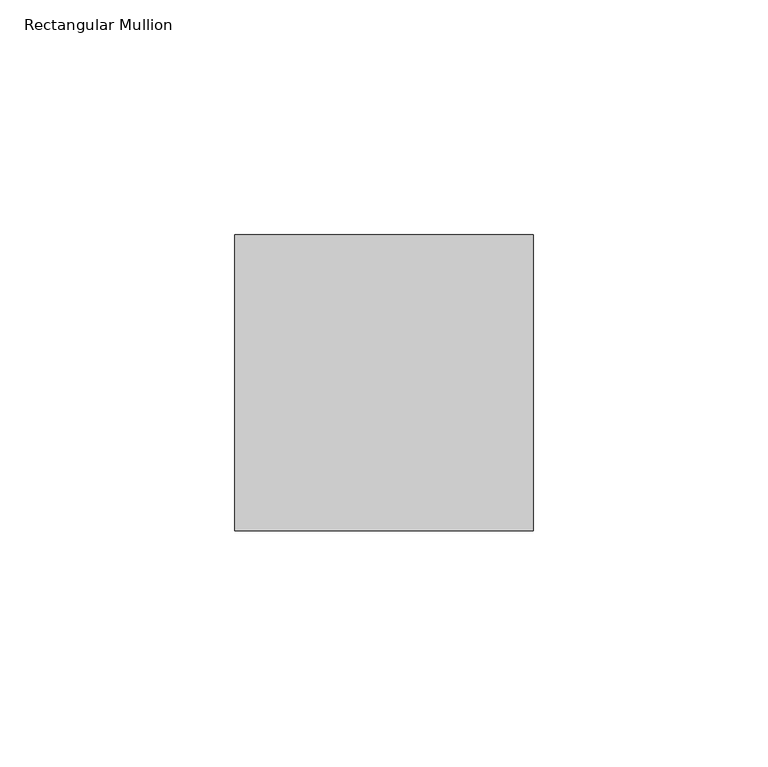
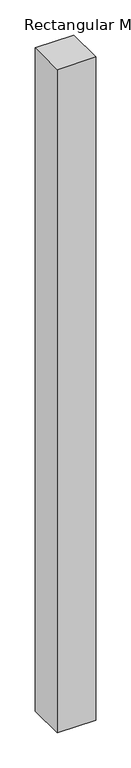
"""IFC4 building model written with IfcOpenShell, lengths in millimetres: member geometry, Rectangular Mullion."""

from ifc_helpers import new_model, si_unit, frame, origin, place, context, project, spatial, polyline, outline, extrude, source, transform, mapped, element, save


def rectangular_mullion_90dffb25(model_context):
    return source(origin(), model_context, "Body", "SweptSolid", [
        extrude(outline(polyline([(31.75, 52.5859375), (-31.75, 52.5859375), (-31.75, 115.5779375), (31.75, 115.5779375), (31.75, 52.5859375)])), frame((0.0, 0.0, -1155.6746), z_axis=(0.0, 0.0, 1.0), x_axis=(1.0, 0.0, 0.0)), (0.0, 0.0, 1.0), 1155.6746),
    ])


if __name__ == "__main__":
    model = new_model("IFC4")
    model_context = context("Model", 3, world=origin())
    ifc_project = project(units=[si_unit("LENGTHUNIT", "METRE", prefix="MILLI")], contexts=[model_context])
    site = spatial("IfcSite", under=ifc_project)
    building = spatial("IfcBuilding", under=site)
    placement = place(None, origin())
    rectangular_mullion_shape = rectangular_mullion_90dffb25(model_context)
    element("IfcMember", 1, ObjectType="Rectangular Mullion", at=placement, inside=building, context=model_context, shape_type="MappedRepresentation", body=[
        mapped(rectangular_mullion_shape, transform((0.0, 0.0, 0.0), x_axis=(1.0, 0.0, 0.0), y_axis=(0.0, 1.0, 0.0), z_axis=(0.0, 0.0, 1.0))),
    ])
    save(model, "model.ifc")
